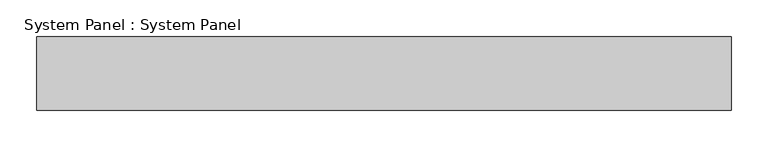
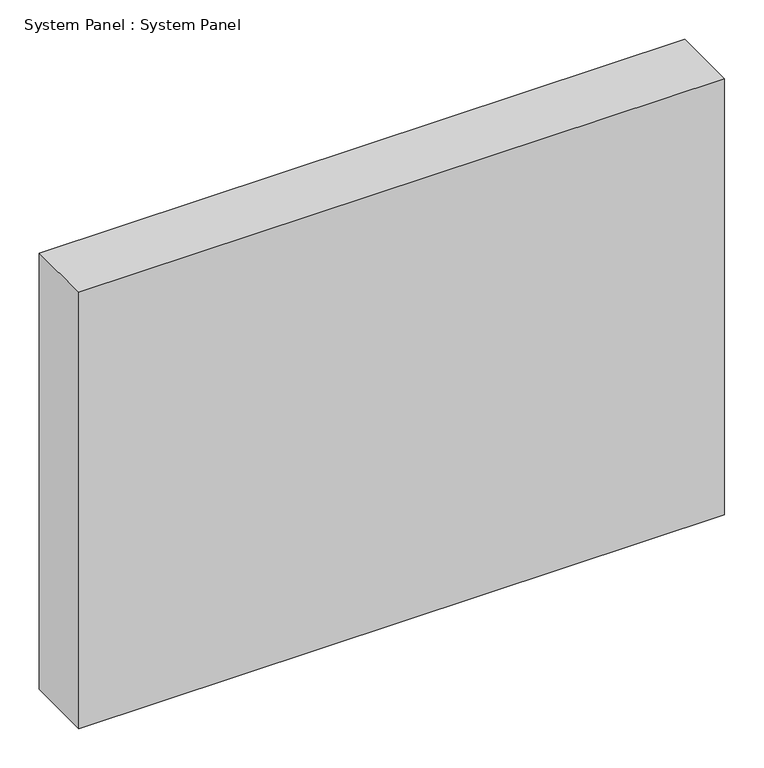
"""IFC4 building model written with IfcOpenShell, lengths in millimetres: plate geometry, System Panel : System Panel."""

from ifc_helpers import new_model, si_unit, origin, origin_with_axes, place, context, project, spatial, polyline, outline, extrude, source, transform, mapped, element, save


def system_panel_system_panel_7858bdb6(model_context):
    return source(origin(), model_context, "Body", "SweptSolid", [
        extrude(outline(polyline([(473.1695549, -50.0), (-473.1695549, -50.0), (-473.1695549, 50.0), (473.1695549, 50.0), (473.1695549, -50.0)])), origin_with_axes(), (0.0, 0.0, 1.0), 675.694024),
    ])


if __name__ == "__main__":
    model = new_model("IFC4")
    model_context = context("Model", 3, world=origin())
    ifc_project = project(units=[si_unit("LENGTHUNIT", "METRE", prefix="MILLI")], contexts=[model_context])
    site = spatial("IfcSite", under=ifc_project)
    building = spatial("IfcBuilding", under=site)
    placement = place(None, origin())
    system_panel_system_panel_shape = system_panel_system_panel_7858bdb6(model_context)
    element("IfcPlate", 1, ObjectType="System Panel : System Panel", at=placement, inside=building, context=model_context, shape_type="MappedRepresentation", body=[
        mapped(system_panel_system_panel_shape, transform((0.0, 0.0, 0.0), x_axis=(1.0, 0.0, 0.0), y_axis=(0.0, 1.0, 0.0), z_axis=(0.0, 0.0, 1.0))),
    ])
    save(model, "model.ifc")
